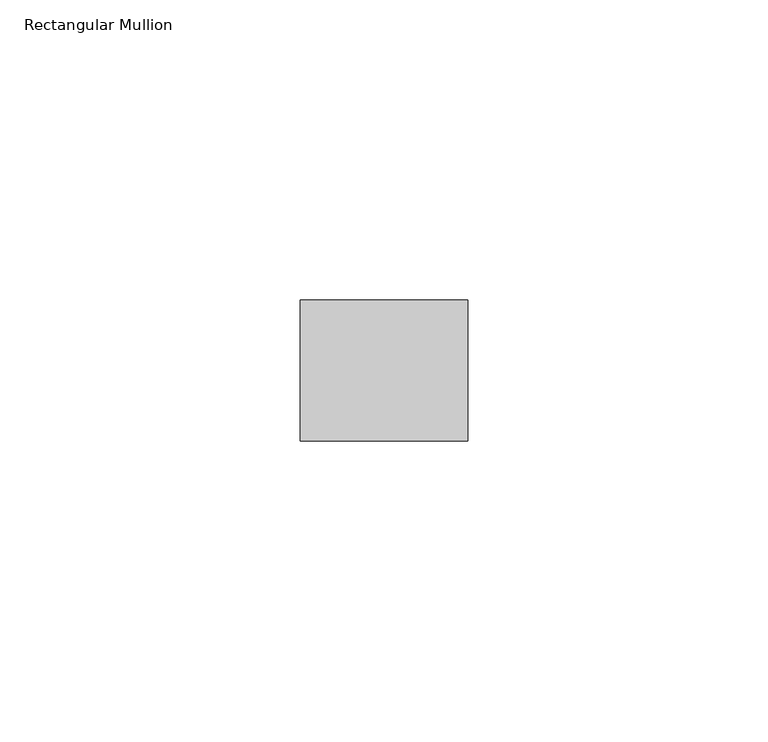
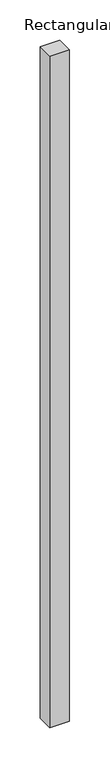
"""IFC4 building model written with IfcOpenShell, lengths in millimetres: member geometry, Rectangular Mullion."""

from ifc_helpers import new_model, si_unit, frame, origin, place, context, project, spatial, polyline, outline, extrude, source, transform, mapped, element, save


def rectangular_mullion_b4b2999a(model_context):
    return source(origin(), model_context, "Body", "SweptSolid", [
        extrude(outline(polyline([(0.0, -11.7474999), (-27.94, -11.7474999), (-27.94, 11.7474999), (0.0, 11.7474999), (0.0, -11.7474999)])), frame((0.0, 0.0, -1016.0), z_axis=(0.0, 0.0, 1.0), x_axis=(1.0, 0.0, 0.0)), (0.0, 0.0, 1.0), 1016.0),
    ])


if __name__ == "__main__":
    model = new_model("IFC4")
    model_context = context("Model", 3, world=origin())
    ifc_project = project(units=[si_unit("LENGTHUNIT", "METRE", prefix="MILLI")], contexts=[model_context])
    site = spatial("IfcSite", under=ifc_project)
    building = spatial("IfcBuilding", under=site)
    placement = place(None, origin())
    rectangular_mullion_shape = rectangular_mullion_b4b2999a(model_context)
    element("IfcMember", 1, ObjectType="Rectangular Mullion", at=placement, inside=building, context=model_context, shape_type="MappedRepresentation", body=[
        mapped(rectangular_mullion_shape, transform((0.0, 0.0, 0.0), x_axis=(1.0, 0.0, 0.0), y_axis=(0.0, 1.0, 0.0), z_axis=(0.0, 0.0, 1.0))),
    ])
    save(model, "model.ifc")
